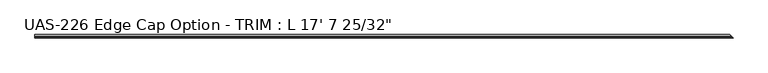
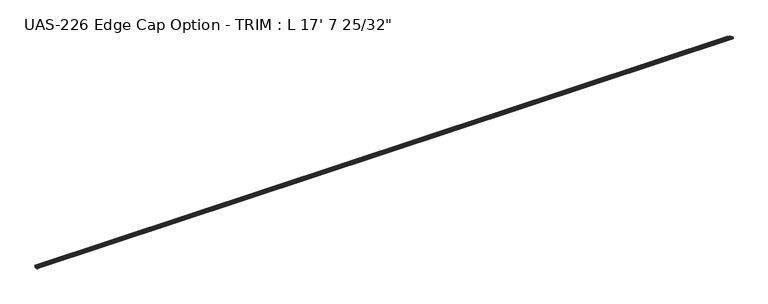
"""IFC4 building model written with IfcOpenShell, lengths in millimetres: proxy geometry."""

from ifc_helpers import new_model, si_unit, frame, origin, place, context, project, spatial, circle_curve, ellipse_curve, source, transform, mapped, element, save
from ifc_brep_helpers import plane_surface, cylinder_surface, advanced_brep


def proxy_fd22747c(model_context):
    return source(origin(), model_context, "Body", "AdvancedBrep", [
        advanced_brep(
        [(0.0, 17.4398781, 14.2875), (0.0, 17.4398781, 13.0669574), (0.0, 16.8417182, 12.4687975), (0.0, 16.0469577, 12.4687975), (0.0, 15.288975, 12.7297919), (0.0, 14.5309922, 12.4687975), (0.0, 13.7730094, 12.7297919), (0.0, 13.0150267, 12.4687975), (0.0, 12.2570439, 12.7297919), (0.0, 11.4990611, 12.4687975), (0.0, 10.6410771, 12.7297919), (0.0, 9.8830943, 12.4687975), (0.0, 8.6103842, 12.7), (0.0, 1.0527543, 12.7), (0.0, 1.0527543, 9.525), (0.0, 0.7975904, 8.7839503), (0.0, 0.7975904, 7.0910497), (0.0, 1.0527543, 6.35), (0.0, 1.0527543, 3.175), (0.0, 8.6103842, 3.175), (0.0, 9.8830943, 3.4062025), (0.0, 10.6410771, 3.1452081), (0.0, 11.4990611, 3.4062025), (0.0, 12.2570439, 3.1452081), (0.0, 13.0150267, 3.4062025), (0.0, 13.7730094, 3.1452081), (0.0, 14.5309922, 3.4062025), (0.0, 15.288975, 3.1452081), (0.0, 16.0469577, 3.4062025), (0.0, 16.8417182, 3.4062025), (0.0, 17.4398781, 2.8080426), (0.0, 17.4398781, 1.5875), (0.0, 5.1739043, 1.5875), (0.0, 3.5864043, 0.0), (0.0, 1.9989043, 1.5875), (0.0, -2.1793957, 1.5875), (0.0, -3.7668957, 0.0), (0.0, -5.3543957, 1.5875), (0.0, -9.5453957, 1.5875), (0.0, -9.5453957, 3.175), (0.0, -0.4712457, 3.175), (0.0, -0.4712457, 12.7), (0.0, -9.5453957, 12.7), (0.0, -9.5453957, 14.2875), (0.0, -5.3543957, 14.2875), (0.0, -3.7668957, 15.875), (0.0, -2.1793957, 14.2875), (0.0, 1.9989043, 14.2875), (0.0, 3.5864043, 15.875), (0.0, 5.1739043, 14.2875), (5364.52445, 5.1739043, 14.2875), (5352.2584761, 17.4398781, 14.2875), (5366.11195, 3.5864043, 15.875), (5367.69945, 1.9989043, 14.2875), (5371.87775, -2.1793957, 14.2875), (5373.46525, -3.7668957, 15.875), (5375.05275, -5.3543957, 14.2875), (5379.24375, -9.5453957, 14.2875), (5379.24375, -9.5453957, 12.7), (5370.1696, -0.4712457, 12.7), (5370.1696, -0.4712457, 3.175), (5379.24375, -9.5453957, 3.175), (5379.24375, -9.5453957, 1.5875), (5375.05275, -5.3543957, 1.5875), (5373.46525, -3.7668957, 0.0), (5371.87775, -2.1793957, 1.5875), (5367.69945, 1.9989043, 1.5875), (5366.11195, 3.5864043, 0.0), (5364.52445, 5.1739043, 1.5875), (5352.2584761, 17.4398781, 1.5875), (5352.2584761, 17.4398781, 2.8080426), (5352.8566361, 16.8417182, 3.4062025), (5353.6513965, 16.0469577, 3.4062025), (5354.4093793, 15.288975, 3.1452081), (5355.1673621, 14.5309922, 3.4062025), (5355.9253448, 13.7730094, 3.1452081), (5356.6833276, 13.0150267, 3.4062025), (5357.4413104, 12.2570439, 3.1452081), (5358.1992931, 11.4990611, 3.4062025), (5359.0572772, 10.6410771, 3.1452081), (5359.8152599, 9.8830943, 3.4062025), (5361.0879701, 8.6103842, 3.175), (5368.6456, 1.0527543, 3.175), (5368.6456, 1.0527543, 6.35), (5368.9007639, 0.7975904, 7.0910497), (5368.9007639, 0.7975904, 8.7839503), (5368.6456, 1.0527543, 9.525), (5368.6456, 1.0527543, 12.7), (5361.0879701, 8.6103842, 12.7), (5359.8152599, 9.8830943, 12.4687975), (5359.0572772, 10.6410771, 12.7297919), (5358.1992931, 11.4990611, 12.4687975), (5357.4413104, 12.2570439, 12.7297919), (5356.6833276, 13.0150267, 12.4687975), (5355.9253448, 13.7730094, 12.7297919), (5355.1673621, 14.5309922, 12.4687975), (5354.4093793, 15.288975, 12.7297919), (5353.6513965, 16.0469577, 12.4687975), (5352.8566361, 16.8417182, 12.4687975), (5352.2584761, 17.4398781, 13.0669574)],
        [
            (0, 1),
            (1, 2, circle_curve(frame((0.0, 16.8417182, 13.0669574), z_axis=(-1.0, 0.0, 0.0), x_axis=(0.0, 1.0, 0.0)), 0.5981599)),
            (2, 3),
            (3, 4),
            (4, 5),
            (5, 6),
            (6, 7),
            (7, 8),
            (8, 9),
            (9, 10),
            (10, 11),
            (11, 12),
            (12, 13),
            (13, 14),
            (14, 15),
            (15, 16),
            (16, 17),
            (17, 18),
            (18, 19),
            (19, 20),
            (20, 21),
            (21, 22),
            (22, 23),
            (23, 24),
            (24, 25),
            (25, 26),
            (26, 27),
            (27, 28),
            (28, 29),
            (29, 30, circle_curve(frame((0.0, 16.8417182, 2.8080426), z_axis=(-1.0, 0.0, 0.0), x_axis=(0.0, 1.0, 0.0)), 0.5981599)),
            (30, 31),
            (31, 32),
            (32, 33, circle_curve(frame((0.0, 3.5864043, 1.5875), z_axis=(-1.0, 0.0, 0.0), x_axis=(0.0, 1.0, 0.0)), 1.5875)),
            (33, 34, circle_curve(frame((0.0, 3.5864043, 1.5875), z_axis=(-1.0, 0.0, 0.0), x_axis=(0.0, 1.0, 0.0)), 1.5875)),
            (34, 35),
            (35, 36, circle_curve(frame((0.0, -3.7668957, 1.5875), z_axis=(-1.0, 0.0, 0.0), x_axis=(0.0, 1.0, 0.0)), 1.5875)),
            (36, 37, circle_curve(frame((0.0, -3.7668957, 1.5875), z_axis=(-1.0, 0.0, 0.0), x_axis=(0.0, 1.0, 0.0)), 1.5875)),
            (37, 38),
            (38, 39),
            (39, 40),
            (40, 41),
            (41, 42),
            (42, 43),
            (43, 44),
            (44, 45, circle_curve(frame((0.0, -3.7668957, 14.2875), z_axis=(-1.0, 0.0, 0.0), x_axis=(0.0, 1.0, 0.0)), 1.5875)),
            (45, 46, circle_curve(frame((0.0, -3.7668957, 14.2875), z_axis=(-1.0, 0.0, 0.0), x_axis=(0.0, 1.0, 0.0)), 1.5875)),
            (46, 47),
            (47, 48, circle_curve(frame((0.0, 3.5864043, 14.2875), z_axis=(-1.0, 0.0, 0.0), x_axis=(0.0, 1.0, 0.0)), 1.5875)),
            (48, 49, circle_curve(frame((0.0, 3.5864043, 14.2875), z_axis=(-1.0, 0.0, 0.0), x_axis=(0.0, 1.0, 0.0)), 1.5875)),
            (49, 0),
            (49, 50),
            (50, 51),
            (51, 0),
            (48, 52),
            (52, 50, ellipse_curve(frame((5366.11195, 3.5864043, 14.2875), z_axis=(-0.7071067811865293, -0.707106781186566, 0.0), x_axis=(0.7071067811865657, -0.7071067811865294, 0.0)), 2.245064, 1.5875)),
            (47, 53),
            (53, 52, ellipse_curve(frame((5366.11195, 3.5864043, 14.2875), z_axis=(-0.7071067811865293, -0.707106781186566, 0.0), x_axis=(0.7071067811865657, -0.7071067811865294, 0.0)), 2.245064, 1.5875)),
            (46, 54),
            (54, 53),
            (45, 55),
            (55, 54, ellipse_curve(frame((5373.46525, -3.7668957, 14.2875), z_axis=(-0.7071067811865293, -0.707106781186566, 0.0), x_axis=(0.7071067811865657, -0.7071067811865294, 0.0)), 2.245064, 1.5875)),
            (44, 56),
            (56, 55, ellipse_curve(frame((5373.46525, -3.7668957, 14.2875), z_axis=(-0.7071067811865293, -0.707106781186566, 0.0), x_axis=(0.7071067811865657, -0.7071067811865294, 0.0)), 2.245064, 1.5875)),
            (43, 57),
            (57, 56),
            (42, 58),
            (58, 57),
            (41, 59),
            (59, 58),
            (40, 60),
            (60, 59),
            (39, 61),
            (61, 60),
            (38, 62),
            (62, 61),
            (37, 63),
            (63, 62),
            (36, 64),
            (64, 63, ellipse_curve(frame((5373.46525, -3.7668957, 1.5875), z_axis=(-0.7071067811865293, -0.707106781186566, 0.0), x_axis=(0.7071067811865657, -0.7071067811865294, 0.0)), 2.245064, 1.5875)),
            (35, 65),
            (65, 64, ellipse_curve(frame((5373.46525, -3.7668957, 1.5875), z_axis=(-0.7071067811865293, -0.707106781186566, 0.0), x_axis=(0.7071067811865657, -0.7071067811865294, 0.0)), 2.245064, 1.5875)),
            (34, 66),
            (66, 65),
            (33, 67),
            (67, 66, ellipse_curve(frame((5366.11195, 3.5864043, 1.5875), z_axis=(-0.7071067811865293, -0.707106781186566, 0.0), x_axis=(0.7071067811865657, -0.7071067811865294, 0.0)), 2.245064, 1.5875)),
            (32, 68),
            (68, 67, ellipse_curve(frame((5366.11195, 3.5864043, 1.5875), z_axis=(-0.7071067811865293, -0.707106781186566, 0.0), x_axis=(0.7071067811865657, -0.7071067811865294, 0.0)), 2.245064, 1.5875)),
            (31, 69),
            (69, 68),
            (30, 70),
            (70, 69),
            (29, 71),
            (71, 70, ellipse_curve(frame((5352.8566361, 16.8417182, 2.8080426), z_axis=(-0.7071067811865293, -0.707106781186566, 0.0), x_axis=(0.7071067811865657, -0.7071067811865294, 0.0)), 0.8459259, 0.5981599)),
            (28, 72),
            (72, 71),
            (27, 73),
            (73, 72),
            (26, 74),
            (74, 73),
            (25, 75),
            (75, 74),
            (24, 76),
            (76, 75),
            (23, 77),
            (77, 76),
            (22, 78),
            (78, 77),
            (21, 79),
            (79, 78),
            (20, 80),
            (80, 79),
            (19, 81),
            (81, 80),
            (18, 82),
            (82, 81),
            (17, 83),
            (83, 82),
            (16, 84),
            (84, 83),
            (15, 85),
            (85, 84),
            (14, 86),
            (86, 85),
            (13, 87),
            (87, 86),
            (12, 88),
            (88, 87),
            (11, 89),
            (89, 88),
            (10, 90),
            (90, 89),
            (9, 91),
            (91, 90),
            (8, 92),
            (92, 91),
            (7, 93),
            (93, 92),
            (6, 94),
            (94, 93),
            (5, 95),
            (95, 94),
            (4, 96),
            (96, 95),
            (3, 97),
            (97, 96),
            (2, 98),
            (98, 97),
            (1, 99),
            (99, 98, ellipse_curve(frame((5352.8566361, 16.8417182, 13.0669574), z_axis=(-0.7071067811865293, -0.707106781186566, 0.0), x_axis=(0.7071067811865657, -0.7071067811865294, 0.0)), 0.8459259, 0.5981599)),
            (51, 99),
        ],
        [
            plane_surface(frame((0.0, 5.1739043, 14.2875), z_axis=(-1.0, 0.0, 0.0), x_axis=(0.0, 1.0, 0.0))),
            plane_surface(frame((5379.24375, 17.4398781, 14.2875), z_axis=(0.0, 0.0, 1.0), x_axis=(-1.0, 0.0, 0.0))),
            cylinder_surface(frame((0.0, 3.5864043, 14.2875), z_axis=(1.0, 0.0, 0.0), x_axis=(0.0, 1.0, 0.0)), 1.5875),
            plane_surface(frame((5379.24375, 1.9989043, 14.2875), z_axis=(0.0, 0.0, 1.0), x_axis=(-1.0, 0.0, 0.0))),
            cylinder_surface(frame((0.0, -3.7668957, 14.2875), z_axis=(1.0, 0.0, 0.0), x_axis=(0.0, 1.0, 0.0)), 1.5875),
            plane_surface(frame((5379.24375, -5.3543957, 14.2875), z_axis=(0.0, 0.0, 1.0), x_axis=(-1.0, 0.0, 0.0))),
            plane_surface(frame((5379.24375, -9.5453957, 14.2875), z_axis=(0.0, -1.0, 0.0), x_axis=(-1.0, 0.0, 0.0))),
            plane_surface(frame((5379.24375, -9.5453957, 12.7), z_axis=(0.0, 0.0, -1.0), x_axis=(-1.0, 0.0, 0.0))),
            plane_surface(frame((5379.24375, -0.4712457, 12.7), z_axis=(0.0, -1.0, 0.0), x_axis=(-1.0, 0.0, 0.0))),
            plane_surface(frame((5379.24375, -0.4712457, 3.175), z_axis=(0.0, 0.0, 1.0), x_axis=(-1.0, 0.0, 0.0))),
            plane_surface(frame((5379.24375, -9.5453957, 3.175), z_axis=(0.0, -1.0, 0.0), x_axis=(-1.0, 0.0, 0.0))),
            plane_surface(frame((5379.24375, -9.5453957, 1.5875), z_axis=(0.0, -3.511395719626829e-12, -1.0), x_axis=(-1.0, 0.0, 0.0))),
            cylinder_surface(frame((0.0, -3.7668957, 1.5875), z_axis=(1.0, 0.0, 0.0), x_axis=(0.0, 1.0, 0.0)), 1.5875),
            plane_surface(frame((5379.24375, -2.1793957, 1.5875), z_axis=(0.0, -1.732593304502838e-12, -1.0), x_axis=(-1.0, 0.0, 0.0))),
            cylinder_surface(frame((0.0, 3.5864043, 1.5875), z_axis=(1.0, 0.0, 0.0), x_axis=(0.0, 1.0, 0.0)), 1.5875),
            plane_surface(frame((5379.24375, 5.1739043, 1.5875), z_axis=(0.0, 0.0, -1.0), x_axis=(-1.0, 0.0, 0.0))),
            plane_surface(frame((5379.24375, 17.4398781, 1.5875), z_axis=(0.0, 1.0, 0.0), x_axis=(-1.0, 0.0, 0.0))),
            cylinder_surface(frame((0.0, 16.8417182, 2.8080426), z_axis=(1.0, 0.0, 0.0), x_axis=(0.0, 1.0, 0.0)), 0.5981599),
            plane_surface(frame((5379.24375, 16.8417182, 3.4062025), z_axis=(0.0, 0.0, 1.0), x_axis=(-1.0, 0.0, 0.0))),
            plane_surface(frame((5379.24375, 16.0469577, 3.4062025), z_axis=(0.0, -0.32556815445715714, 0.9455185755993166), x_axis=(-1.0, 0.0, 0.0))),
            plane_surface(frame((5379.24375, 15.288975, 3.1452081), z_axis=(0.0, 0.3255681544571563, 0.945518575599317), x_axis=(-1.0, 0.0, 0.0))),
            plane_surface(frame((5379.24375, 14.5309922, 3.4062025), z_axis=(0.0, -0.3255681544571564, 0.945518575599317), x_axis=(-1.0, 0.0, 0.0))),
            plane_surface(frame((5379.24375, 13.7730094, 3.1452081), z_axis=(0.0, 0.325568154457158, 0.9455185755993164), x_axis=(-1.0, 0.0, 0.0))),
            plane_surface(frame((5379.24375, 13.0150267, 3.4062025), z_axis=(0.0, -0.32556815445715986, 0.9455185755993157), x_axis=(-1.0, 0.0, 0.0))),
            plane_surface(frame((5379.24375, 12.2570439, 3.1452081), z_axis=(0.0, 0.3255681544571569, 0.9455185755993168), x_axis=(-1.0, 0.0, 0.0))),
            plane_surface(frame((5379.24375, 11.4990611, 3.4062025), z_axis=(0.0, -0.2910277428387788, 0.9567146141343121), x_axis=(-1.0, 0.0, 0.0))),
            plane_surface(frame((5379.24375, 10.6410771, 3.1452081), z_axis=(0.0, 0.32556815445715703, 0.9455185755993167), x_axis=(-1.0, 0.0, 0.0))),
            plane_surface(frame((5379.24375, 9.8830943, 3.4062025), z_axis=(0.0, -0.17873627008018506, 0.983897019894777), x_axis=(-1.0, 0.0, 0.0))),
            plane_surface(frame((5379.24375, 8.6103842, 3.175), z_axis=(0.0, 0.0, 1.0), x_axis=(-1.0, 0.0, 0.0))),
            plane_surface(frame((5379.24375, 1.0527543, 3.175), z_axis=(0.0, 1.0, 0.0), x_axis=(-1.0, 0.0, 0.0))),
            plane_surface(frame((5379.24375, 1.0527543, 6.35), z_axis=(0.0, 0.9455185755993173, 0.3255681544571555), x_axis=(-1.0, 0.0, 0.0))),
            plane_surface(frame((5379.24375, 0.7975904, 7.0910497), z_axis=(0.0, 1.0, 0.0), x_axis=(-1.0, 0.0, 0.0))),
            plane_surface(frame((5379.24375, 0.7975904, 8.7839503), z_axis=(0.0, 0.9455185755993165, -0.3255681544571579), x_axis=(-1.0, 0.0, 0.0))),
            plane_surface(frame((5379.24375, 1.0527543, 9.525), z_axis=(0.0, 1.0, 0.0), x_axis=(-1.0, 0.0, 0.0))),
            plane_surface(frame((5379.24375, 1.0527543, 12.7), z_axis=(0.0, 0.0, -1.0), x_axis=(-1.0, 0.0, 0.0))),
            plane_surface(frame((5379.24375, 8.6103842, 12.7), z_axis=(0.0, -0.178736270083243, -0.9838970198942215), x_axis=(-1.0, 0.0, 0.0))),
            plane_surface(frame((5379.24375, 9.8830943, 12.4687975), z_axis=(0.0, 0.32556815407089457, -0.9455185757323176), x_axis=(-1.0, 0.0, 0.0))),
            plane_surface(frame((5379.24375, 10.6410771, 12.7297919), z_axis=(0.0, -0.2910277428387802, -0.9567146141343117), x_axis=(-1.0, 0.0, 0.0))),
            plane_surface(frame((5379.24375, 11.4990611, 12.4687975), z_axis=(0.0, 0.32556815445715837, -0.9455185755993163), x_axis=(-1.0, 0.0, 0.0))),
            plane_surface(frame((5379.24375, 12.2570439, 12.7297919), z_axis=(0.0, -0.32556815445716075, -0.9455185755993155), x_axis=(-1.0, 0.0, 0.0))),
            plane_surface(frame((5379.24375, 13.0150267, 12.4687975), z_axis=(0.0, 0.3255681544571559, -0.9455185755993171), x_axis=(-1.0, 0.0, 0.0))),
            plane_surface(frame((5379.24375, 13.7730094, 12.7297919), z_axis=(0.0, -0.32556815445715653, -0.9455185755993168), x_axis=(-1.0, 0.0, 0.0))),
            plane_surface(frame((5379.24375, 14.5309922, 12.4687975), z_axis=(0.0, 0.325568154457157, -0.9455185755993168), x_axis=(-1.0, 0.0, 0.0))),
            plane_surface(frame((5379.24375, 15.288975, 12.7297919), z_axis=(0.0, -0.3255681544571575, -0.9455185755993165), x_axis=(-1.0, 0.0, 0.0))),
            plane_surface(frame((5379.24375, 16.0469577, 12.4687975), z_axis=(0.0, 0.0, -1.0), x_axis=(-1.0, 0.0, 0.0))),
            cylinder_surface(frame((0.0, 16.8417182, 13.0669574), z_axis=(1.0, 0.0, 0.0), x_axis=(0.0, 1.0, 0.0)), 0.5981599),
            plane_surface(frame((5379.24375, 17.4398781, 13.0669574), z_axis=(0.0, 1.0, 0.0), x_axis=(-1.0, 0.0, 0.0))),
            plane_surface(frame((5351.6135543, 18.0848, 17.1925137), z_axis=(0.7071067811865293, 0.707106781186566, 0.0), x_axis=(0.0, 0.0, -1.0))),
        ],
        [
            (0, [[1, 2, 3, 4, 5, 6, 7, 8, 9, 10, 11, 12, 13, 14, 15, 16, 17, 18, 19, 20, 21, 22, 23, 24, 25, 26, 27, 28, 29, 30, 31, 32, 33, 34, 35, 36, 37, 38, 39, 40, 41, 42, 43, 44, 45, 46, 47, 48, 49, 50]]),
            (1, [[-50, 51, 52, 53]]),
            (2, [[-49, 54, 55, -51]]),
            (2, [[-48, 56, 57, -54]]),
            (3, [[-47, 58, 59, -56]]),
            (4, [[-46, 60, 61, -58]]),
            (4, [[-45, 62, 63, -60]]),
            (5, [[-44, 64, 65, -62]]),
            (6, [[-43, 66, 67, -64]]),
            (7, [[-42, 68, 69, -66]]),
            (8, [[-41, 70, 71, -68]]),
            (9, [[-40, 72, 73, -70]]),
            (10, [[-39, 74, 75, -72]]),
            (11, [[-38, 76, 77, -74]]),
            (12, [[-37, 78, 79, -76]]),
            (12, [[-36, 80, 81, -78]]),
            (13, [[-35, 82, 83, -80]]),
            (14, [[-34, 84, 85, -82]]),
            (14, [[-33, 86, 87, -84]]),
            (15, [[-32, 88, 89, -86]]),
            (16, [[-31, 90, 91, -88]]),
            (17, [[-30, 92, 93, -90]]),
            (18, [[-29, 94, 95, -92]]),
            (19, [[-28, 96, 97, -94]]),
            (20, [[-27, 98, 99, -96]]),
            (21, [[-26, 100, 101, -98]]),
            (22, [[-25, 102, 103, -100]]),
            (23, [[-24, 104, 105, -102]]),
            (24, [[-23, 106, 107, -104]]),
            (25, [[-22, 108, 109, -106]]),
            (26, [[-21, 110, 111, -108]]),
            (27, [[-20, 112, 113, -110]]),
            (28, [[-19, 114, 115, -112]]),
            (29, [[-18, 116, 117, -114]]),
            (30, [[-17, 118, 119, -116]]),
            (31, [[-16, 120, 121, -118]]),
            (32, [[-15, 122, 123, -120]]),
            (33, [[-14, 124, 125, -122]]),
            (34, [[-13, 126, 127, -124]]),
            (35, [[-12, 128, 129, -126]]),
            (36, [[-11, 130, 131, -128]]),
            (37, [[-10, 132, 133, -130]]),
            (38, [[-9, 134, 135, -132]]),
            (39, [[-8, 136, 137, -134]]),
            (40, [[-7, 138, 139, -136]]),
            (41, [[-6, 140, 141, -138]]),
            (42, [[-5, 142, 143, -140]]),
            (43, [[-4, 144, 145, -142]]),
            (44, [[-3, 146, 147, -144]]),
            (45, [[-2, 148, 149, -146]]),
            (46, [[-1, -53, 150, -148]]),
            (47, [[-52, -55, -57, -59, -61, -63, -65, -67, -69, -71, -73, -75, -77, -79, -81, -83, -85, -87, -89, -91, -93, -95, -97, -99, -101, -103, -105, -107, -109, -111, -113, -115, -117, -119, -121, -123, -125, -127, -129, -131, -133, -135, -137, -139, -141, -143, -145, -147, -149, -150]]),
        ],
    ),
    ])


if __name__ == "__main__":
    model = new_model("IFC4")
    model_context = context("Model", 3, world=origin())
    ifc_project = project(units=[si_unit("LENGTHUNIT", "METRE", prefix="MILLI")], contexts=[model_context])
    site = spatial("IfcSite", under=ifc_project)
    building = spatial("IfcBuilding", under=site)
    placement = place(None, origin())
    proxy_shape = proxy_fd22747c(model_context)
    element("IfcBuildingElementProxy", 1, Name="UAS-226 Edge Cap Option - TRIM : L 17' 7 25/32\"", ObjectType="UAS-226 Edge Cap Option - TRIM : L 17' 7 25/32\"", at=placement, inside=building, context=model_context, shape_type="MappedRepresentation", body=[
        mapped(proxy_shape, transform((0.0, 0.0, 0.0), x_axis=(1.0, 0.0, 0.0), y_axis=(0.0, 1.0, 0.0), z_axis=(0.0, 0.0, 1.0))),
    ])
    save(model, "model.ifc")
